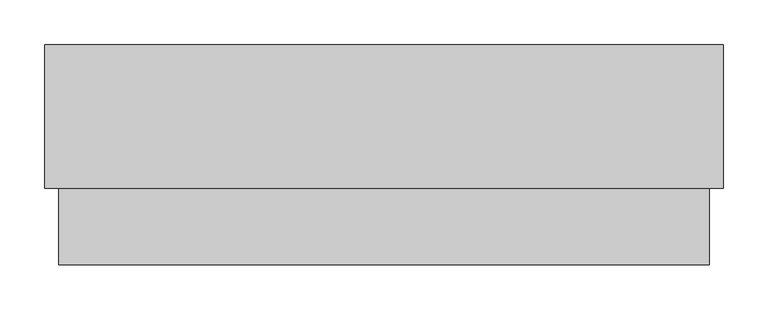
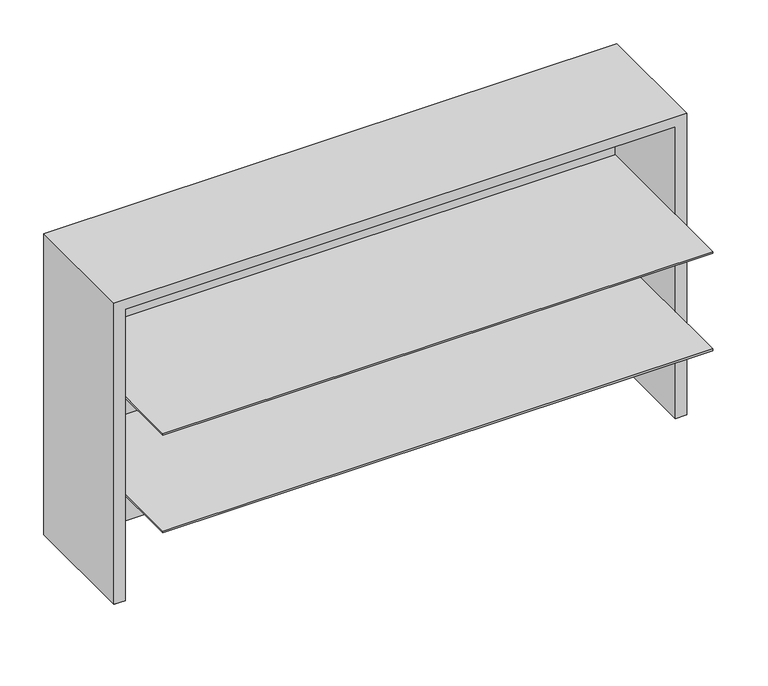
"""IFC4 building model written with IfcOpenShell, lengths in millimetres: furniture geometry."""

from ifc_helpers import new_model, si_unit, frame, origin, place, context, project, spatial, polyline, outline, extrude, faceted_brep, source, transform, mapped, element, save


def furniture_72e7bf68(model_context):
    return source(origin(), model_context, "Body", "SolidModel", [
        extrude(outline(polyline([(743.585, -246.46382), (18.415, -246.46382), (18.415, -23.749), (743.585, -23.749), (743.585, -246.46382)])), frame((0.0, 0.0, 1019.2088667), z_axis=(0.0, 0.0, 1.0), x_axis=(1.0, 0.0, 0.0)), (0.0, 0.0, 1.0), 2.54),
        extrude(outline(polyline([(743.585, -246.46382), (18.415, -246.46382), (18.415, -23.749), (743.585, -23.749), (743.585, -246.46382)])), frame((0.0, 0.0, 883.4289333), z_axis=(0.0, 0.0, 1.0), x_axis=(1.0, 0.0, 0.0)), (0.0, 0.0, 1.0), 2.54),
        faceted_brep([(758.952, -161.417, 1157.5288), (3.048, -161.417, 1157.5288), (3.048, -161.417, 737.4128), (18.415, -161.417, 737.4128), (18.415, -161.417, 1143.9398), (743.585, -161.417, 1143.9398), (743.585, -161.417, 737.4128), (758.952, -161.417, 737.4128), (758.952, -1.524, 1157.5288), (758.952, -1.524, 737.4128), (3.048, -1.524, 737.4128), (3.048, -1.524, 1157.5288), (743.585, -23.749, 737.4128), (18.415, -23.749, 737.4128), (743.585, -23.749, 1143.9398), (18.415, -23.749, 1143.9398)], [[[0, 1, 2, 3, 4, 5, 6, 7]], [[8, 9, 10, 11]], [[1, 0, 8, 11]], [[2, 1, 11, 10]], [[10, 9, 7, 6, 12, 13, 3, 2]], [[0, 7, 9, 8]], [[14, 15, 13, 12]], [[15, 14, 5, 4]], [[15, 4, 3, 13]], [[5, 14, 12, 6]]]),
        extrude(outline(polyline([(757.428, -3.048), (757.428, -159.893), (745.109, -159.893), (745.109, -22.225), (16.891, -22.225), (16.891, -159.893), (4.572, -159.893), (4.572, -3.048), (757.428, -3.048)])), frame((0.0, 0.0, 736.6), z_axis=(0.0, 0.0, 1.0), x_axis=(1.0, 0.0, 0.0)), (0.0, 0.0, 1.0), 0.8128),
    ])


if __name__ == "__main__":
    model = new_model("IFC4")
    model_context = context("Model", 3, world=origin())
    ifc_project = project(units=[si_unit("LENGTHUNIT", "METRE", prefix="MILLI")], contexts=[model_context])
    site = spatial("IfcSite", under=ifc_project)
    building = spatial("IfcBuilding", under=site)
    placement = place(None, origin())
    furniture_shape = furniture_72e7bf68(model_context)
    element("IfcFurniture", 1, at=placement, inside=building, context=model_context, shape_type="MappedRepresentation", body=[
        mapped(furniture_shape, transform((0.0, 0.0, 0.0), x_axis=(1.0, 0.0, 0.0), y_axis=(0.0, 1.0, 0.0), z_axis=(0.0, 0.0, 1.0))),
    ])
    save(model, "model.ifc")
